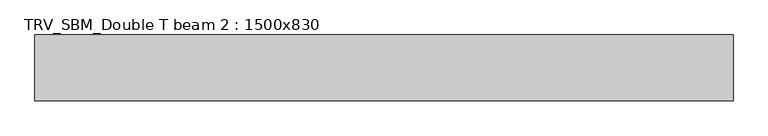
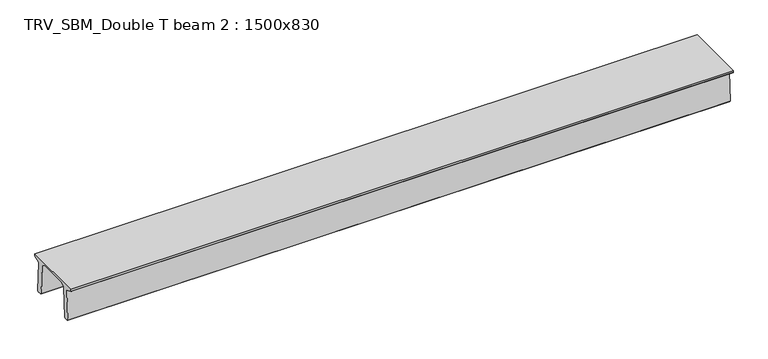
"""IFC4 building model written with IfcOpenShell, lengths in millimetres: beam geometry, TRV_SBM_Double T beam 2 : 1500x830."""

from ifc_helpers import new_model, si_unit, frame, origin, place, context, project, spatial, polyline, outline, extrude, source, transform, mapped, element, save


def trv_sbm_double_t_beam_2_1500x830_f5de25f9(model_context):
    return source(origin(), model_context, "Body", "SweptSolid", [
        extrude(outline(polyline([(337.4555014, 470.0), (-343.4555014, 470.0), (-456.5828437, 409.8491251), (-494.786332, -340.5206011), (-514.2657308, -360.0), (-604.2657308, -360.0), (-624.8277662, -339.4379646), (-586.9373878, 401.9654693), (-752.8511046, 468.9989621), (-753.0, 475.0), (-753.0, 520.0), (747.0, 520.0), (747.0, 475.0), (746.8511046, 468.9989621), (580.9373878, 401.9654693), (618.8277662, -339.4379646), (598.2657308, -360.0), (508.2657308, -360.0), (488.786332, -340.5206011), (450.5828437, 409.8491251), (337.4555014, 470.0)])), frame((-7971.5, 0.0, 0.0), z_axis=(1.0, 0.0, 0.0), x_axis=(0.0, 1.0, 0.0)), (0.0, 0.0, 1.0), 15943.0),
    ])


if __name__ == "__main__":
    model = new_model("IFC4")
    model_context = context("Model", 3, world=origin())
    ifc_project = project(units=[si_unit("LENGTHUNIT", "METRE", prefix="MILLI")], contexts=[model_context])
    site = spatial("IfcSite", under=ifc_project)
    building = spatial("IfcBuilding", under=site)
    placement = place(None, origin())
    trv_sbm_double_t_beam_2_1500x830_shape = trv_sbm_double_t_beam_2_1500x830_f5de25f9(model_context)
    element("IfcBeam", 1, ObjectType="TRV_SBM_Double T beam 2 : 1500x830", at=placement, inside=building, context=model_context, shape_type="MappedRepresentation", body=[
        mapped(trv_sbm_double_t_beam_2_1500x830_shape, transform((0.0, 0.0, 0.0), x_axis=(1.0, 0.0, 0.0), y_axis=(0.0, 1.0, 0.0), z_axis=(0.0, 0.0, 1.0))),
    ])
    save(model, "model.ifc")
